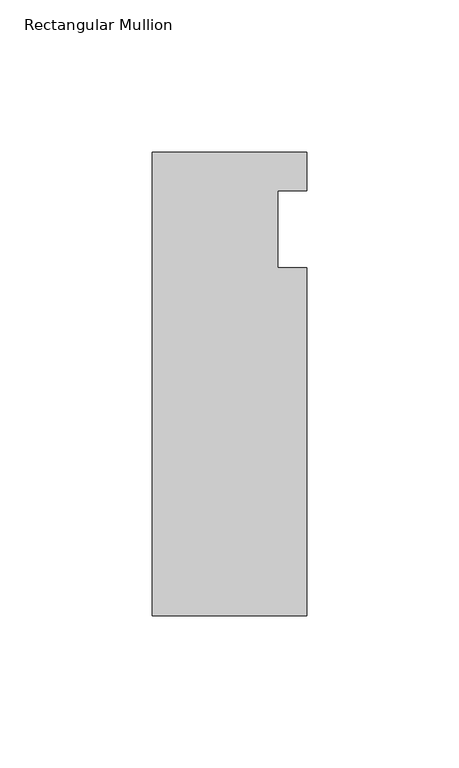
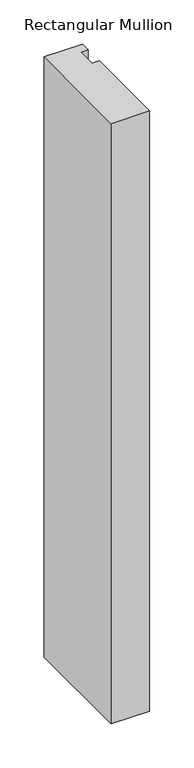
"""IFC4 building model written with IfcOpenShell, lengths in millimetres: member geometry, Rectangular Mullion."""

from ifc_helpers import new_model, si_unit, frame, origin, place, context, project, spatial, polyline, outline, extrude, source, transform, mapped, element, save


def rectangular_mullion_7e5f41fd(model_context):
    return source(origin(), model_context, "Body", "SweptSolid", [
        extrude(outline(polyline([(0.0, -139.7), (-50.8, -139.7), (-50.8, 12.7), (0.0, 12.7), (0.0, 0.0), (-9.525, 0.0), (-9.525, -25.4), (0.0, -25.4), (0.0, -139.7)])), frame((0.0, 0.0, -831.85), z_axis=(0.0, 0.0, 1.0), x_axis=(1.0, 0.0, 0.0)), (0.0, 0.0, 1.0), 831.85),
    ])


if __name__ == "__main__":
    model = new_model("IFC4")
    model_context = context("Model", 3, world=origin())
    ifc_project = project(units=[si_unit("LENGTHUNIT", "METRE", prefix="MILLI")], contexts=[model_context])
    site = spatial("IfcSite", under=ifc_project)
    building = spatial("IfcBuilding", under=site)
    placement = place(None, origin())
    rectangular_mullion_shape = rectangular_mullion_7e5f41fd(model_context)
    element("IfcMember", 1, ObjectType="Rectangular Mullion", at=placement, inside=building, context=model_context, shape_type="MappedRepresentation", body=[
        mapped(rectangular_mullion_shape, transform((0.0, 0.0, 0.0), x_axis=(1.0, 0.0, 0.0), y_axis=(0.0, 1.0, 0.0), z_axis=(0.0, 0.0, 1.0))),
    ])
    save(model, "model.ifc")
